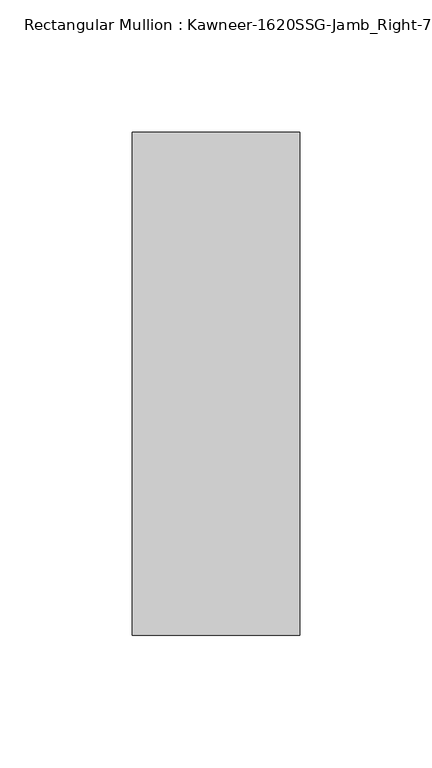
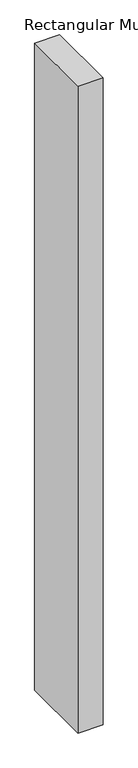
"""IFC4 building model written with IfcOpenShell, lengths in millimetres: member geometry."""

from ifc_helpers import new_model, si_unit, frame, origin, place, context, project, spatial, polyline, outline, extrude, source, transform, mapped, element, save


def member_f33e6ca6(model_context):
    return source(origin(), model_context, "Body", "SweptSolid", [
        extrude(outline(polyline([(-22.225, 28.575), (41.275, 28.575), (41.275, -161.925), (-22.225, -161.925), (-22.225, 28.575)])), frame((0.0, 0.0, -1739.9), z_axis=(0.0, 0.0, 1.0), x_axis=(1.0, 0.0, 0.0)), (0.0, 0.0, 1.0), 1739.9),
    ])


if __name__ == "__main__":
    model = new_model("IFC4")
    model_context = context("Model", 3, world=origin())
    ifc_project = project(units=[si_unit("LENGTHUNIT", "METRE", prefix="MILLI")], contexts=[model_context])
    site = spatial("IfcSite", under=ifc_project)
    building = spatial("IfcBuilding", under=site)
    placement = place(None, origin())
    member_shape = member_f33e6ca6(model_context)
    element("IfcMember", 1, ObjectType="Rectangular Mullion : Kawneer-1620SSG-Jamb_Right-7.5\"-1/4\"Infill", at=placement, inside=building, context=model_context, shape_type="MappedRepresentation", body=[
        mapped(member_shape, transform((0.0, 0.0, 0.0), x_axis=(1.0, 0.0, 0.0), y_axis=(0.0, 1.0, 0.0), z_axis=(0.0, 0.0, 1.0))),
    ])
    save(model, "model.ifc")
